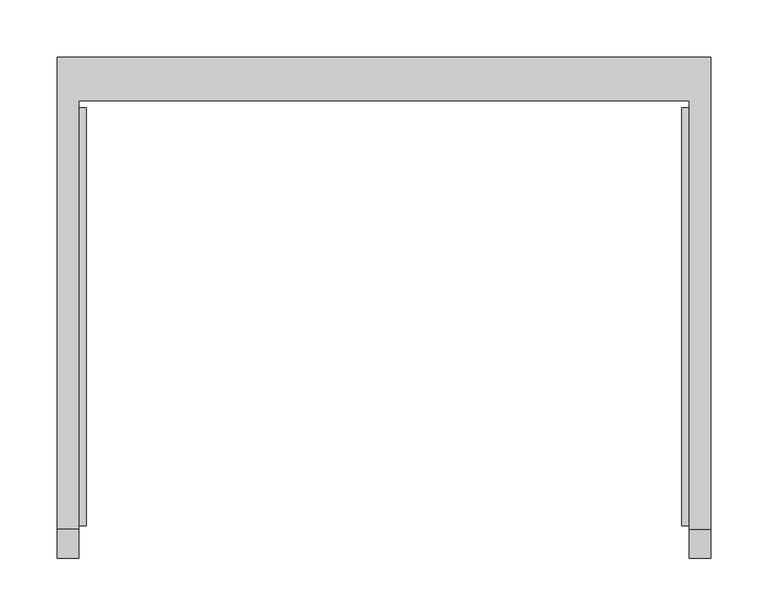
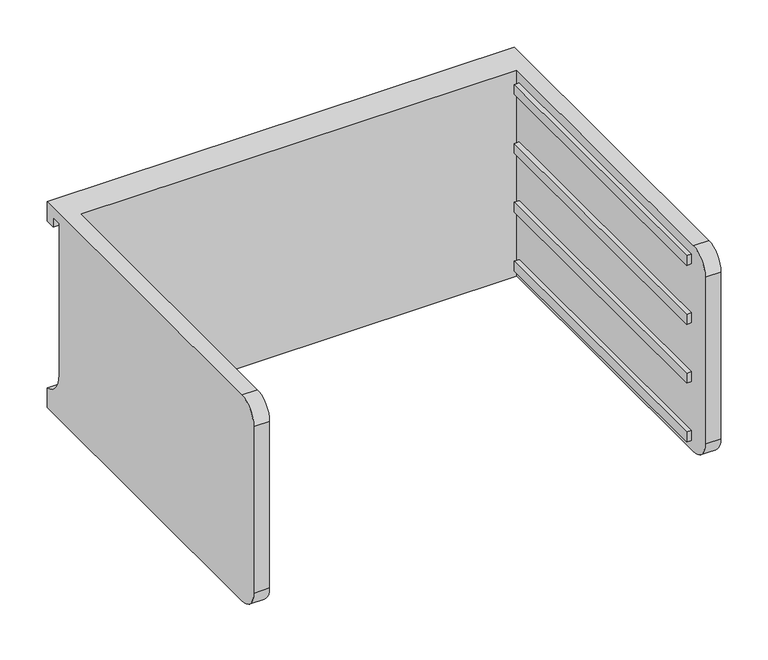
"""IFC4 building model written with IfcOpenShell, lengths in millimetres: furniture geometry."""

from ifc_helpers import new_model, si_unit, frame, origin, place, context, project, spatial, polyline, circle_curve, outline, extrude, source, transform, mapped, element, save
from ifc_brep_helpers import plane_surface, cylinder_surface, revolved_surface, advanced_brep


def furniture_b67149c3(model_context):
    return source(origin(), model_context, "Body", "SolidModel", [
        advanced_brep(
        [(-171.7622951, -331.6523397, 491.4646), (-171.7622951, -357.0523397, 466.0646), (-171.7622951, -357.0523397, 250.1646), (-171.7622951, -331.6523397, 224.7646), (-171.7622951, 43.0421197, 224.7646), (-171.7622951, 43.0421197, 491.4646), (-190.8122951, -331.6523397, 224.7646), (-190.8122951, -357.0523397, 250.1646), (-190.8122951, -357.0523397, 466.0646), (-190.8122951, -331.6523397, 491.4646), (-190.8122951, 81.0976603, 491.4646), (-190.8122951, 81.0976603, 466.0646), (-190.8122951, 68.4421197, 466.0646), (-190.8122951, 68.4421197, 478.7646), (-190.8122951, 55.7421197, 478.7646), (-190.8122951, 55.7421197, 282.70962), (-190.8122951, 81.0976603, 250.1646), (-190.8122951, 81.0976603, 224.7646), (380.6877049, 81.0976603, 224.7646), (380.6877049, -331.6523397, 224.7646), (361.6377049, -331.6523397, 224.7646), (361.6377049, 43.0421197, 224.7646), (361.6377049, 43.0421197, 491.4646), (361.6377049, -331.6523397, 491.4646), (380.6877049, -331.6523397, 491.4646), (380.6877049, 81.0976603, 491.4646), (380.6877049, 81.0976603, 250.1646), (380.6877049, 55.7421197, 282.70962), (380.6877049, 55.7421197, 478.7646), (380.6877049, 68.4421197, 478.7646), (380.6877049, 68.4421197, 466.0646), (380.6877049, 81.0976603, 466.0646), (380.6877049, -357.0523397, 466.0646), (380.6877049, -357.0523397, 250.1646), (361.6377049, -357.0523397, 250.1646), (361.6377049, -357.0523397, 466.0646)],
        [
            (0, 1, circle_curve(frame((-171.7622951, -331.6523397, 466.0646), z_axis=(1.0, 0.0, 0.0), x_axis=(0.0, 0.0, 1.0)), 25.4)),
            (1, 2),
            (2, 3, circle_curve(frame((-171.7622951, -331.6523397, 250.1646), z_axis=(1.0, 0.0, 0.0), x_axis=(0.0, 0.0, 1.0)), 25.4)),
            (3, 4),
            (4, 5),
            (5, 0),
            (6, 7, circle_curve(frame((-190.8122951, -331.6523397, 250.1646), z_axis=(-1.0, 0.0, 0.0), x_axis=(0.0, 0.0, 1.0)), 25.4)),
            (7, 8),
            (8, 9, circle_curve(frame((-190.8122951, -331.6523397, 466.0646), z_axis=(-1.0, 0.0, 0.0), x_axis=(0.0, 0.0, 1.0)), 25.4)),
            (9, 10),
            (10, 11),
            (11, 12),
            (12, 13),
            (13, 14),
            (14, 15),
            (15, 16, circle_curve(frame((-190.8122951, 89.3064162, 282.70962), z_axis=(1.0, 0.0, 0.0), x_axis=(0.0, 0.0, 1.0)), 33.5642965)),
            (16, 17),
            (17, 6),
            (0, 9),
            (8, 1),
            (7, 2),
            (6, 3),
            (17, 18),
            (18, 19),
            (19, 20),
            (20, 21),
            (21, 4),
            (5, 22),
            (22, 23),
            (23, 24),
            (24, 25),
            (25, 10),
            (18, 26),
            (26, 27, circle_curve(frame((380.6877049, 89.3064162, 282.70962), z_axis=(-1.0, 0.0, 0.0), x_axis=(0.0, 0.0, 1.0)), 33.5642965)),
            (27, 28),
            (28, 29),
            (29, 30),
            (30, 31),
            (31, 25),
            (24, 32, circle_curve(frame((380.6877049, -331.6523397, 466.0646), z_axis=(1.0, 0.0, 0.0), x_axis=(0.0, 0.0, 1.0)), 25.4)),
            (32, 33),
            (33, 19, circle_curve(frame((380.6877049, -331.6523397, 250.1646), z_axis=(1.0, 0.0, 0.0), x_axis=(0.0, 0.0, 1.0)), 25.4)),
            (16, 26),
            (15, 27),
            (14, 28),
            (13, 29),
            (12, 30),
            (11, 31),
            (21, 22),
            (20, 34, circle_curve(frame((361.6377049, -331.6523397, 250.1646), z_axis=(-1.0, 0.0, 0.0), x_axis=(0.0, 0.0, 1.0)), 25.4)),
            (34, 35),
            (35, 23, circle_curve(frame((361.6377049, -331.6523397, 466.0646), z_axis=(-1.0, 0.0, 0.0), x_axis=(0.0, 0.0, 1.0)), 25.4)),
            (35, 32),
            (34, 33),
        ],
        [
            plane_surface(frame((-171.7622951, -331.6523397, 491.4646), z_axis=(1.0, 0.0, 0.0), x_axis=(0.0, -1.0, 0.0))),
            plane_surface(frame((-190.8122951, -331.6523397, 491.4646), z_axis=(-1.0, 0.0, 0.0), x_axis=(0.0, 1.0, 0.0))),
            cylinder_surface(frame((-190.8122951, -331.6523397, 466.0646), z_axis=(1.0, 0.0, 0.0), x_axis=(0.0, 0.0, 1.0)), 25.4),
            plane_surface(frame((-171.7622951, -357.0523397, 466.0646), z_axis=(0.0, -1.0, 0.0), x_axis=(-1.0, 0.0, 0.0))),
            cylinder_surface(frame((-190.8122951, -331.6523397, 250.1646), z_axis=(1.0, 0.0, 0.0), x_axis=(0.0, 0.0, 1.0)), 25.4),
            plane_surface(frame((-171.7622951, -331.6523397, 224.7646), z_axis=(0.0, 0.0, -1.0), x_axis=(-1.0, 0.0, 0.0))),
            plane_surface(frame((-171.7622951, 43.0421197, 491.4646), z_axis=(0.0, 0.0, 1.0), x_axis=(-1.0, 0.0, 0.0))),
            plane_surface(frame((380.6877049, 81.0976603, 250.1646), z_axis=(1.0, 0.0, 0.0), x_axis=(0.0, 0.0, 1.0))),
            plane_surface(frame((380.6877049, 81.0976603, 224.7646), z_axis=(0.0, 1.0, 0.0), x_axis=(-1.0, 0.0, 0.0))),
            revolved_surface(polyline([(-190.8122951, 89.3064162, 316.2739165), (380.68770489999997, 89.3064162, 316.2739165)]), (-190.8122951, 89.3064162, 282.70962), (-1.0, 0.0, 0.0)),
            plane_surface(frame((380.6877049, 55.7421197, 282.70962), z_axis=(0.0, 1.0, 0.0), x_axis=(-1.0, 0.0, 0.0))),
            plane_surface(frame((380.6877049, 55.7421197, 478.7646), z_axis=(0.0, 0.0, -1.0), x_axis=(-1.0, 0.0, 0.0))),
            plane_surface(frame((380.6877049, 68.4421197, 478.7646), z_axis=(0.0, -1.0, 0.0), x_axis=(-1.0, 0.0, 0.0))),
            plane_surface(frame((380.6877049, 68.4421197, 466.0646), z_axis=(0.0, 0.0, -1.0), x_axis=(-1.0, 0.0, 0.0))),
            plane_surface(frame((380.6877049, 81.0976603, 466.0646), z_axis=(0.0, 1.0, 0.0), x_axis=(-1.0, 0.0, 0.0))),
            plane_surface(frame((380.6877049, 43.0421197, 491.4646), z_axis=(0.0, -1.0, 0.0), x_axis=(-1.0, 0.0, 0.0))),
            plane_surface(frame((361.6377049, -331.6523397, 491.4646), z_axis=(-1.0, 0.0, 0.0), x_axis=(0.0, 1.0, 0.0))),
            cylinder_surface(frame((361.6377049, -331.6523397, 466.0646), z_axis=(1.0, 0.0, 0.0), x_axis=(0.0, 0.0, 1.0)), 25.4),
            plane_surface(frame((380.6877049, -357.0523397, 466.0646), z_axis=(0.0, -1.0, 0.0), x_axis=(-1.0, 0.0, 0.0))),
            cylinder_surface(frame((361.6377049, -331.6523397, 250.1646), z_axis=(1.0, 0.0, 0.0), x_axis=(0.0, 0.0, 1.0)), 25.4),
        ],
        [
            (0, [[1, 2, 3, 4, 5, 6]]),
            (1, [[7, 8, 9, 10, 11, 12, 13, 14, 15, 16, 17, 18]]),
            (2, [[-1, 19, -9, 20]]),
            (3, [[-2, -20, -8, 21]]),
            (4, [[-3, -21, -7, 22]]),
            (5, [[-4, -22, -18, 23, 24, 25, 26, 27]]),
            (6, [[-6, 28, 29, 30, 31, 32, -10, -19]]),
            (7, [[-24, 33, 34, 35, 36, 37, 38, 39, -31, 40, 41, 42]]),
            (8, [[-33, -23, -17, 43]]),
            (9, [[-34, -43, -16, 44]]),
            (10, [[-35, -44, -15, 45]]),
            (11, [[-36, -45, -14, 46]]),
            (12, [[-37, -46, -13, 47]]),
            (13, [[-38, -47, -12, 48]]),
            (14, [[-39, -48, -11, -32]]),
            (15, [[-5, -27, 49, -28]]),
            (16, [[-29, -49, -26, 50, 51, 52]]),
            (17, [[-40, -30, -52, 53]]),
            (18, [[-41, -53, -51, 54]]),
            (19, [[-42, -54, -50, -25]]),
        ],
    ),
        extrude(outline(polyline([(355.2877049, -328.4773397), (355.2877049, 36.6921197), (361.6377049, 36.6921197), (361.6377049, -328.4773397), (355.2877049, -328.4773397)])), frame((0.0, 0.0, 313.6646), z_axis=(0.0, 0.0, 1.0), x_axis=(1.0, 0.0, 0.0)), (0.0, 0.0, 1.0), 12.7),
        extrude(outline(polyline([(355.2877049, -328.4773397), (355.2877049, 36.6921197), (361.6377049, 36.6921197), (361.6377049, -328.4773397), (355.2877049, -328.4773397)])), frame((0.0, 0.0, 389.8646), z_axis=(0.0, 0.0, 1.0), x_axis=(1.0, 0.0, 0.0)), (0.0, 0.0, 1.0), 12.7),
        extrude(outline(polyline([(355.2877049, -328.4773397), (355.2877049, 36.6921197), (361.6377049, 36.6921197), (361.6377049, -328.4773397), (355.2877049, -328.4773397)])), frame((0.0, 0.0, 466.0646), z_axis=(0.0, 0.0, 1.0), x_axis=(1.0, 0.0, 0.0)), (0.0, 0.0, 1.0), 12.7),
        extrude(outline(polyline([(355.2877049, -328.4773397), (355.2877049, 36.6921197), (361.6377049, 36.6921197), (361.6377049, -328.4773397), (355.2877049, -328.4773397)])), frame((0.0, 0.0, 237.4646), z_axis=(0.0, 0.0, 1.0), x_axis=(1.0, 0.0, 0.0)), (0.0, 0.0, 1.0), 12.7),
        extrude(outline(polyline([(-171.7622951, -328.4773397), (-171.7622951, 36.6921197), (-165.4122951, 36.6921197), (-165.4122951, -328.4773397), (-171.7622951, -328.4773397)])), frame((0.0, 0.0, 313.6646), z_axis=(0.0, 0.0, 1.0), x_axis=(1.0, 0.0, 0.0)), (0.0, 0.0, 1.0), 12.7),
        extrude(outline(polyline([(-171.7622951, -328.4773397), (-171.7622951, 36.6921197), (-165.4122951, 36.6921197), (-165.4122951, -328.4773397), (-171.7622951, -328.4773397)])), frame((0.0, 0.0, 389.8646), z_axis=(0.0, 0.0, 1.0), x_axis=(1.0, 0.0, 0.0)), (0.0, 0.0, 1.0), 12.7),
        extrude(outline(polyline([(-171.7622951, -328.4773397), (-171.7622951, 36.6921197), (-165.4122951, 36.6921197), (-165.4122951, -328.4773397), (-171.7622951, -328.4773397)])), frame((0.0, 0.0, 466.0646), z_axis=(0.0, 0.0, 1.0), x_axis=(1.0, 0.0, 0.0)), (0.0, 0.0, 1.0), 12.7),
        extrude(outline(polyline([(-171.7622951, -328.4773397), (-171.7622951, 36.6921197), (-165.4122951, 36.6921197), (-165.4122951, -328.4773397), (-171.7622951, -328.4773397)])), frame((0.0, 0.0, 237.4646), z_axis=(0.0, 0.0, 1.0), x_axis=(1.0, 0.0, 0.0)), (0.0, 0.0, 1.0), 12.7),
    ])


if __name__ == "__main__":
    model = new_model("IFC4")
    model_context = context("Model", 3, world=origin())
    ifc_project = project(units=[si_unit("LENGTHUNIT", "METRE", prefix="MILLI")], contexts=[model_context])
    site = spatial("IfcSite", under=ifc_project)
    building = spatial("IfcBuilding", under=site)
    placement = place(None, origin())
    furniture_shape = furniture_b67149c3(model_context)
    element("IfcFurniture", 1, at=placement, inside=building, context=model_context, shape_type="MappedRepresentation", body=[
        mapped(furniture_shape, transform((0.0, 0.0, 0.0), x_axis=(1.0, 0.0, 0.0), y_axis=(0.0, 1.0, 0.0), z_axis=(0.0, 0.0, 1.0))),
    ])
    save(model, "model.ifc")
